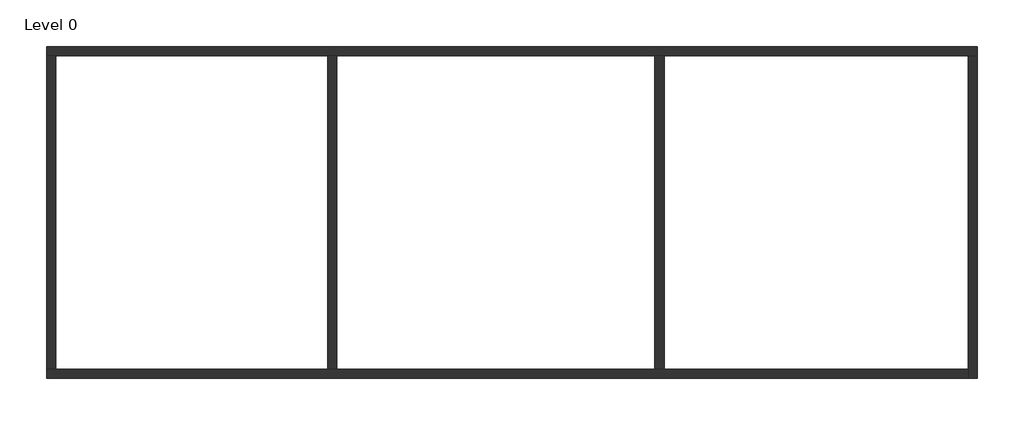
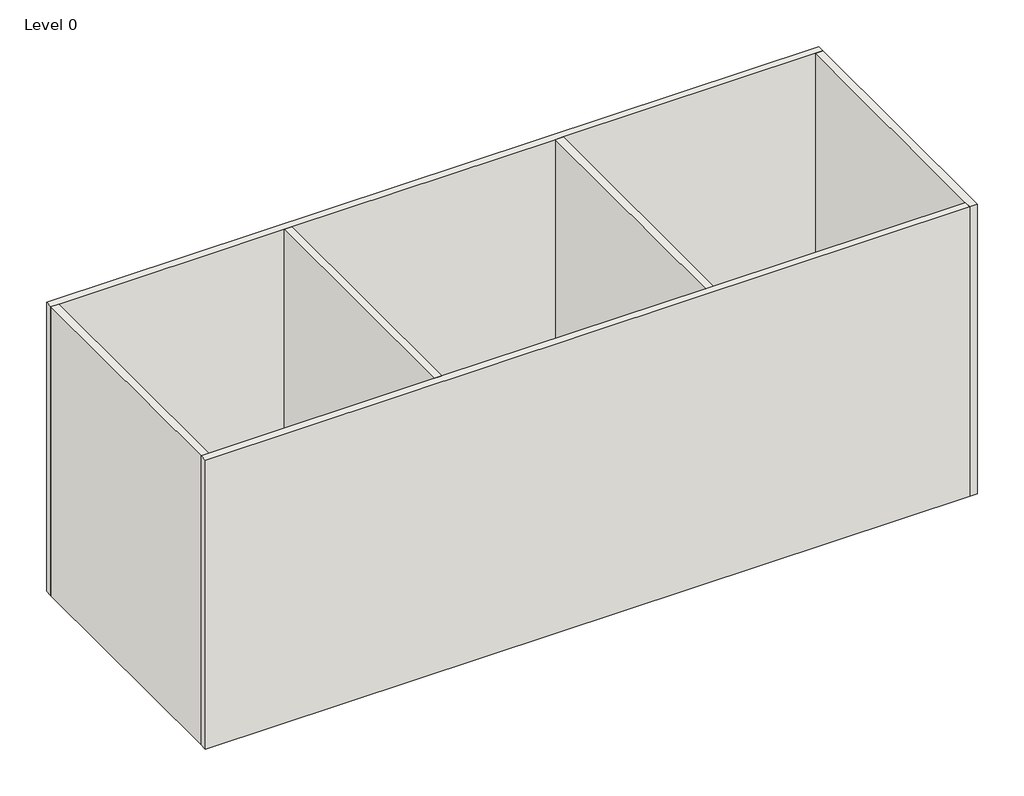
# One storey: 6 walls.
"""IFC4 building model written with IfcOpenShell, lengths in millimetres."""

from ifc_helpers import new_model, si_unit, origin, origin_with_axes, place, context, project, spatial, polyline, outline, extrude, faceted_brep, element, save

model = new_model("IFC4")

# Units and contexts
model_context = context("Model", 3, world=origin())
ifc_project = project(units=[si_unit("LENGTHUNIT", "METRE", prefix="MILLI")], contexts=[model_context])

# Site, building, storey
site = spatial("IfcSite", under=ifc_project)
building = spatial("IfcBuilding", under=site)
storey = spatial("IfcBuildingStorey", under=building, Name="Level 0", Elevation=0.0)

# Walls
placement = place(None, origin())
element("IfcWall", 1, ObjectType="Generic - 200mm", at=placement, inside=storey, context=model_context, shape_type="Brep", body=[
    faceted_brep([(-15282.8466108, 5615.4920144, 0.0), (-15082.8466108, 5615.4920144, 0.0), (-9182.8466108, 5615.4920144, 0.0), (-8982.8466108, 5615.4920144, 0.0), (-2082.8466108, 5615.4920144, 0.0), (-1882.8466108, 5615.4920144, 0.0), (4717.1533892, 5615.4920144, 0.0), (4917.1533892, 5615.4920144, 0.0), (4917.1533892, 5615.4920144, 8000.0), (4717.1533892, 5615.4920144, 8000.0), (-1882.8466108, 5615.4920144, 8000.0), (-2082.8466108, 5615.4920144, 8000.0), (-8982.8466108, 5615.4920144, 8000.0), (-9182.8466108, 5615.4920144, 8000.0), (-15082.8466108, 5615.4920144, 8000.0), (-15282.8466108, 5615.4920144, 8000.0), (-15282.8466108, 5815.4920144, 0.0), (-15282.8466108, 5815.4920144, 8000.0), (4917.1533892, 5815.4920144, 8000.0), (4917.1533892, 5815.4920144, 0.0)], [[[0, 1, 2, 3, 4, 5, 6, 7, 8, 9, 10, 11, 12, 13, 14, 15]], [[16, 17, 18, 19]], [[7, 6, 5, 4, 3, 2, 1, 0, 16, 19]], [[15, 14, 13, 12, 11, 10, 9, 8, 18, 17]], [[8, 7, 19, 18]], [[0, 15, 17, 16]]]),
])
element("IfcWall", 2, ObjectType="Generic - 200mm", at=placement, inside=storey, context=model_context, shape_type="Brep", body=[
    faceted_brep([(4717.1533892, 5615.4920144, 0.0), (4717.1533892, -1184.5079856, 0.0), (4717.1533892, -1384.5079856, 0.0), (4717.1533892, -1384.5079856, 8000.0), (4717.1533892, -1184.5079856, 8000.0), (4717.1533892, 5615.4920144, 8000.0), (4917.1533892, 5615.4920144, 0.0), (4917.1533892, 5615.4920144, 8000.0), (4917.1533892, -1384.5079856, 8000.0), (4917.1533892, -1384.5079856, 0.0)], [[[0, 1, 2, 3, 4, 5]], [[6, 7, 8, 9]], [[2, 1, 0, 6, 9]], [[5, 4, 3, 8, 7]], [[0, 5, 7, 6]], [[3, 2, 9, 8]]]),
])
element("IfcWall", 3, ObjectType="Generic - 200mm", at=placement, inside=storey, context=model_context, shape_type="Brep", body=[
    faceted_brep([(4717.1533892, -1184.5079856, 0.0), (-1882.8466108, -1184.5079856, 0.0), (-2082.8466108, -1184.5079856, 0.0), (-8982.8466108, -1184.5079856, 0.0), (-9182.8466108, -1184.5079856, 0.0), (-15082.8466108, -1184.5079856, 0.0), (-15282.8466108, -1184.5079856, 0.0), (-15282.8466108, -1184.5079856, 8000.0), (-15082.8466108, -1184.5079856, 8000.0), (-9182.8466108, -1184.5079856, 8000.0), (-8982.8466108, -1184.5079856, 8000.0), (-2082.8466108, -1184.5079856, 8000.0), (-1882.8466108, -1184.5079856, 8000.0), (4717.1533892, -1184.5079856, 8000.0), (4717.1533892, -1384.5079856, 0.0), (4717.1533892, -1384.5079856, 8000.0), (-15282.8466108, -1384.5079856, 8000.0), (-15282.8466108, -1384.5079856, 0.0)], [[[0, 1, 2, 3, 4, 5, 6, 7, 8, 9, 10, 11, 12, 13]], [[14, 15, 16, 17]], [[6, 5, 4, 3, 2, 1, 0, 14, 17]], [[13, 12, 11, 10, 9, 8, 7, 16, 15]], [[0, 13, 15, 14]], [[7, 6, 17, 16]]]),
])
element("IfcWall", 4, ObjectType="Generic - 200mm", at=placement, inside=storey, context=model_context, shape_type="SweptSolid", body=[
    extrude(outline(polyline([(-15082.8466108, 5615.4920144), (-15082.8466108, -1184.5079856), (-15282.8466108, -1184.5079856), (-15282.8466108, 5615.4920144), (-15082.8466108, 5615.4920144)])), origin_with_axes(), (0.0, 0.0, 1.0), 8000.0),
])
element("IfcWall", 5, ObjectType="Generic - 200mm", at=placement, inside=storey, context=model_context, shape_type="SweptSolid", body=[
    extrude(outline(polyline([(-9182.8466108, -1184.5079856), (-9182.8466108, 5615.4920144), (-8982.8466108, 5615.4920144), (-8982.8466108, -1184.5079856), (-9182.8466108, -1184.5079856)])), origin_with_axes(), (0.0, 0.0, 1.0), 8000.0),
])
element("IfcWall", 6, ObjectType="Generic - 200mm", at=placement, inside=storey, context=model_context, shape_type="SweptSolid", body=[
    extrude(outline(polyline([(-1882.8466108, 5615.4920144), (-1882.8466108, -1184.5079856), (-2082.8466108, -1184.5079856), (-2082.8466108, 5615.4920144), (-1882.8466108, 5615.4920144)])), origin_with_axes(), (0.0, 0.0, 1.0), 8000.0),
])

save(model, "model.ifc")
